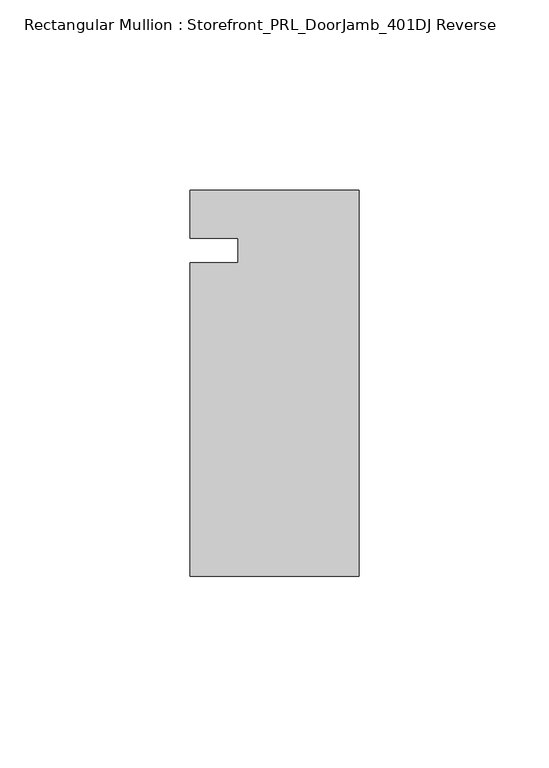
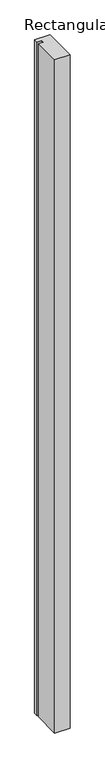
"""IFC4 building model written with IfcOpenShell, lengths in millimetres: member geometry, Rectangular Mullion : Storefront_PRL_DoorJamb_401DJ Reverse."""

from ifc_helpers import new_model, si_unit, frame, origin, place, context, project, spatial, polyline, outline, extrude, source, transform, mapped, element, save


def rectangular_mullion_storefront_prl_doorjamb_401dj_reverse_36dc3c98(model_context):
    return source(origin(), model_context, "Body", "SweptSolid", [
        extrude(outline(polyline([(-9.525, -3.175), (-9.525, 3.175), (-22.225, 3.175), (-22.225, 15.875), (22.225, 15.875), (22.225, -85.725), (-22.225, -85.725), (-22.225, -3.175), (-9.525, -3.175)])), frame((0.0, 0.0, -2082.8), z_axis=(0.0, 0.0, 1.0), x_axis=(1.0, 0.0, 0.0)), (0.0, 0.0, 1.0), 2082.8),
    ])


if __name__ == "__main__":
    model = new_model("IFC4")
    model_context = context("Model", 3, world=origin())
    ifc_project = project(units=[si_unit("LENGTHUNIT", "METRE", prefix="MILLI")], contexts=[model_context])
    site = spatial("IfcSite", under=ifc_project)
    building = spatial("IfcBuilding", under=site)
    placement = place(None, origin())
    rectangular_mullion_storefront_prl_doorjamb_401dj_reverse_shape = rectangular_mullion_storefront_prl_doorjamb_401dj_reverse_36dc3c98(model_context)
    element("IfcMember", 1, ObjectType="Rectangular Mullion : Storefront_PRL_DoorJamb_401DJ Reverse", at=placement, inside=building, context=model_context, shape_type="MappedRepresentation", body=[
        mapped(rectangular_mullion_storefront_prl_doorjamb_401dj_reverse_shape, transform((0.0, 0.0, 0.0), x_axis=(1.0, 0.0, 0.0), y_axis=(0.0, 1.0, 0.0), z_axis=(0.0, 0.0, 1.0))),
    ])
    save(model, "model.ifc")
